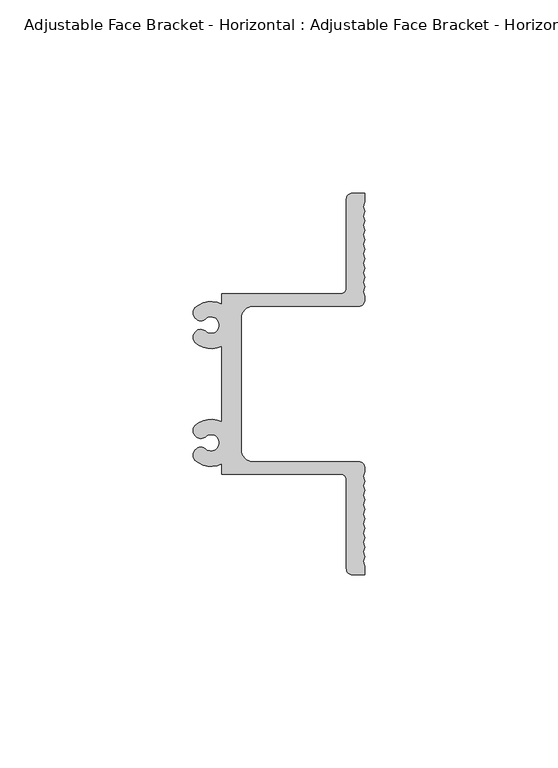
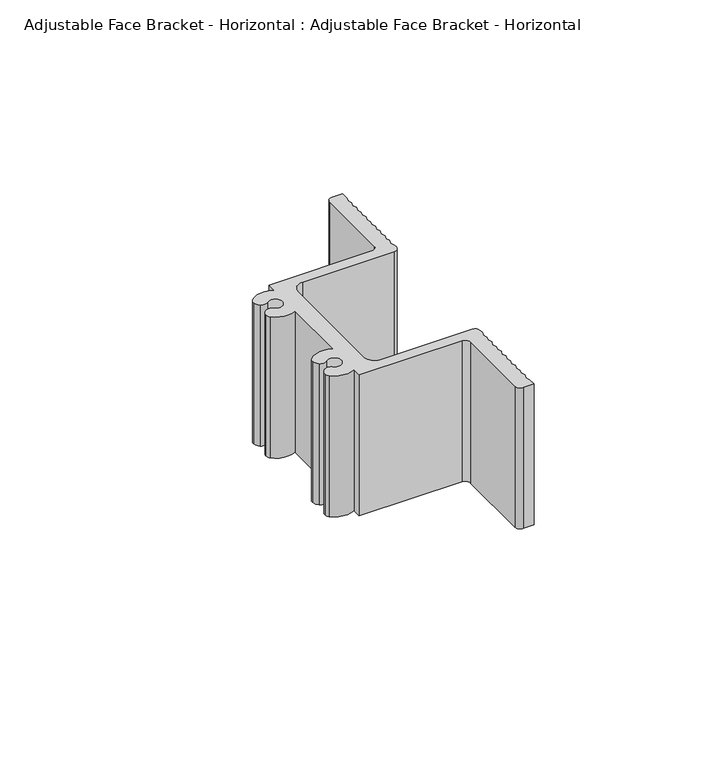
"""IFC4 building model written with IfcOpenShell, lengths in millimetres: proxy geometry, Adjustable Face Bracket - Horizontal : Adjustable Face Bracket - Horizontal."""

from ifc_helpers import new_model, si_unit, point, frame_2d, origin, origin_with_axes, place, context, project, spatial, polyline, circle_curve, trimmed, segment, composite_curve, outline, extrude, source, transform, mapped, element, save


def adjustable_face_bracket_horizontal_adjustable_face_bracket_52e3b07a(model_context):
    return source(origin(), model_context, "Body", "SweptSolid", [
        extrude(outline(composite_curve([segment(trimmed(circle_curve(frame_2d((20.688277, 21.7899764)), 1.5875), [point((22.275777, 21.7899764))], [point((20.688277, 20.2024764))], False, "CARTESIAN"), True, "CONTINUOUS"), segment(polyline([(20.688277, 20.2024764), (-6.6113868, 20.2024764)]), True, "CONTINUOUS"), segment(trimmed(circle_curve(frame_2d((-6.6113868, 17.0274764)), 3.175), [point((-6.6113868, 20.2024764))], [point((-9.7863868, 17.0274764))], True, "CARTESIAN"), True, "CONTINUOUS"), segment(polyline([(-9.7863868, 17.0274764), (-9.7863868, -16.9145908)]), True, "CONTINUOUS"), segment(trimmed(circle_curve(frame_2d((-6.6113868, -16.9145908)), 3.175), [point((-9.7863868, -16.9145908))], [point((-6.6113868, -20.0895908))], True, "CARTESIAN"), True, "CONTINUOUS"), segment(polyline([(-6.6113868, -20.0895908), (20.688277, -20.0895908)]), True, "CONTINUOUS"), segment(trimmed(circle_curve(frame_2d((20.688277, -21.6770908)), 1.5875), [point((20.688277, -20.0895908))], [point((22.275777, -21.6770908))], False, "CARTESIAN"), True, "CONTINUOUS"), segment(polyline([(22.275777, -21.6770908), (22.275777, -22.6295908), (21.856677, -23.8538708), (22.275777, -25.0781508), (21.856677, -26.3024308), (22.275777, -27.5267108), (21.856677, -28.7509908), (22.275777, -29.9752708), (21.856677, -31.1995508), (22.275777, -32.4238308), (21.856677, -33.6481108), (22.275777, -34.8723908), (21.856677, -36.0966708), (22.275777, -37.3209508), (21.856677, -38.5452308), (22.275777, -39.7695108), (21.856677, -40.9937908), (22.275777, -42.2180708), (21.856677, -43.4423508), (22.275777, -44.6666308), (21.856677, -45.8909108), (22.275777, -47.1151908), (22.275777, -49.3929138), (19.100777, -49.3929138)]), True, "CONTINUOUS"), segment(trimmed(circle_curve(frame_2d((19.100777, -47.8054138)), 1.5875), [point((19.100777, -49.3929138))], [point((17.513277, -47.8054138))], False, "CARTESIAN"), True, "CONTINUOUS"), segment(polyline([(17.513277, -47.8054138), (17.513277, -24.8520908)]), True, "CONTINUOUS"), segment(trimmed(circle_curve(frame_2d((15.925777, -24.8520908)), 1.5875), [point((17.513277, -24.8520908))], [point((15.925777, -23.2645908))], True, "CARTESIAN"), True, "CONTINUOUS"), segment(polyline([(15.925777, -23.2645908), (-14.8080347, -23.2645908), (-14.8080347, -20.6502795)]), True, "CONTINUOUS"), segment(trimmed(circle_curve(frame_2d((-17.538723, -15.2000908)), 6.096), [point((-14.8080347, -20.6502795))], [point((-21.7099338, -19.6455622))], False, "CARTESIAN"), True, "CONTINUOUS"), segment(trimmed(circle_curve(frame_2d((-20.623681, -18.4878873)), 1.5875), [point((-21.7099338, -19.6455622))], [point((-22.2060609, -18.3604908))], False, "CARTESIAN"), True, "CONTINUOUS"), segment(trimmed(circle_curve(frame_2d((-19.8058815, -18.5537279)), 2.4079455), [point((-22.2060609, -18.3604908))], [point((-21.2853581, -16.6538987))], False, "CARTESIAN"), True, "CONTINUOUS"), segment(trimmed(circle_curve(frame_2d((-20.2016552, -18.2604379)), 1.9378803), [point((-21.2853581, -16.6538987))], [point((-19.0651832, -16.6907846))], False, "CARTESIAN"), True, "CONTINUOUS"), segment(trimmed(circle_curve(frame_2d((-17.538723, -15.2000908)), 2.1336), [point((-19.0651832, -16.6907846))], [point((-19.0651832, -13.7093969))], True, "CARTESIAN"), True, "CONTINUOUS"), segment(trimmed(circle_curve(frame_2d((-20.2016552, -12.1397436)), 1.9378803), [point((-19.0651832, -13.7093969))], [point((-21.2853581, -13.7462828))], False, "CARTESIAN"), True, "CONTINUOUS"), segment(trimmed(circle_curve(frame_2d((-19.8058815, -11.8464536)), 2.4079455), [point((-21.2853581, -13.7462828))], [point((-22.2060609, -12.0396907))], False, "CARTESIAN"), True, "CONTINUOUS"), segment(trimmed(circle_curve(frame_2d((-20.623681, -11.9122942)), 1.5875), [point((-22.2060609, -12.0396907))], [point((-21.7099338, -10.7546193))], False, "CARTESIAN"), True, "CONTINUOUS"), segment(trimmed(circle_curve(frame_2d((-17.538723, -15.2000908)), 6.096), [point((-21.7099338, -10.7546193))], [point((-14.8080347, -9.749902))], False, "CARTESIAN"), True, "CONTINUOUS"), segment(polyline([(-14.8080347, -9.749902), (-14.8080347, 9.8627877)]), True, "CONTINUOUS"), segment(trimmed(circle_curve(frame_2d((-17.538723, 15.3129764)), 6.096), [point((-14.8080347, 9.8627877))], [point((-21.7099338, 10.867505))], False, "CARTESIAN"), True, "CONTINUOUS"), segment(trimmed(circle_curve(frame_2d((-20.623681, 12.0251799)), 1.5875), [point((-21.7099338, 10.867505))], [point((-22.2060609, 12.1525764))], False, "CARTESIAN"), True, "CONTINUOUS"), segment(trimmed(circle_curve(frame_2d((-19.8058815, 11.9593393)), 2.4079455), [point((-22.2060609, 12.1525764))], [point((-21.2853581, 13.8591685))], False, "CARTESIAN"), True, "CONTINUOUS"), segment(trimmed(circle_curve(frame_2d((-20.2016552, 12.2526293)), 1.9378803), [point((-21.2853581, 13.8591685))], [point((-19.0651832, 13.8222826))], False, "CARTESIAN"), True, "CONTINUOUS"), segment(trimmed(circle_curve(frame_2d((-17.538723, 15.3129764)), 2.1336), [point((-19.0651832, 13.8222826))], [point((-19.0651832, 16.8036703))], True, "CARTESIAN"), True, "CONTINUOUS"), segment(trimmed(circle_curve(frame_2d((-20.2016552, 18.3733236)), 1.9378803), [point((-19.0651832, 16.8036703))], [point((-21.2853581, 16.7667844))], False, "CARTESIAN"), True, "CONTINUOUS"), segment(trimmed(circle_curve(frame_2d((-19.8058815, 18.6666136)), 2.4079455), [point((-21.2853581, 16.7667844))], [point((-22.2060609, 18.4733765))], False, "CARTESIAN"), True, "CONTINUOUS"), segment(trimmed(circle_curve(frame_2d((-20.623681, 18.600773)), 1.5875), [point((-22.2060609, 18.4733765))], [point((-21.7099338, 19.7584479))], False, "CARTESIAN"), True, "CONTINUOUS"), segment(trimmed(circle_curve(frame_2d((-17.538723, 15.3129764)), 6.096), [point((-21.7099338, 19.7584479))], [point((-14.8080347, 20.7631652))], False, "CARTESIAN"), True, "CONTINUOUS"), segment(polyline([(-14.8080347, 20.7631652), (-14.8080347, 23.3774764), (15.925777, 23.3774764)]), True, "CONTINUOUS"), segment(trimmed(circle_curve(frame_2d((15.925777, 24.9649764)), 1.5875), [point((15.925777, 23.3774764))], [point((17.513277, 24.9649764))], True, "CARTESIAN"), True, "CONTINUOUS"), segment(polyline([(17.513277, 24.9649764), (17.513277, 47.9182995)]), True, "CONTINUOUS"), segment(trimmed(circle_curve(frame_2d((19.100777, 47.9182995)), 1.5875), [point((17.513277, 47.9182995))], [point((19.100777, 49.5057995))], False, "CARTESIAN"), True, "CONTINUOUS"), segment(polyline([(19.100777, 49.5057995), (22.275777, 49.5057995), (22.275777, 47.2348539), (21.856677, 46.0105739), (22.275777, 44.7862939), (21.856677, 43.5620139), (22.275777, 42.3377339), (21.856677, 41.1134539), (22.275777, 39.8891739), (21.856677, 38.6648939), (22.275777, 37.4406139), (21.856677, 36.2163339), (22.275777, 34.9920539), (21.856677, 33.7677739), (22.275777, 32.5434939), (21.856677, 31.3192139), (22.275777, 30.0949339), (21.856677, 28.8706539), (22.275777, 27.6463739), (21.856677, 26.4220939), (22.275777, 25.1978139), (21.856677, 23.9735339), (22.275777, 22.7492539), (22.275777, 21.7899764)]), True, "CONTINUOUS")], self_intersect=False)), origin_with_axes(), (0.0, 0.0, 1.0), 44.45),
    ])


if __name__ == "__main__":
    model = new_model("IFC4")
    model_context = context("Model", 3, world=origin())
    ifc_project = project(units=[si_unit("LENGTHUNIT", "METRE", prefix="MILLI")], contexts=[model_context])
    site = spatial("IfcSite", under=ifc_project)
    building = spatial("IfcBuilding", under=site)
    placement = place(None, origin())
    adjustable_face_bracket_horizontal_adjustable_face_bracket_shape = adjustable_face_bracket_horizontal_adjustable_face_bracket_52e3b07a(model_context)
    element("IfcBuildingElementProxy", 1, Name="Adjustable Face Bracket - Horizontal : Adjustable Face Bracket - Horizontal", ObjectType="Adjustable Face Bracket - Horizontal : Adjustable Face Bracket - Horizontal", at=placement, inside=building, context=model_context, shape_type="MappedRepresentation", body=[
        mapped(adjustable_face_bracket_horizontal_adjustable_face_bracket_shape, transform((0.0, 0.0, 0.0), x_axis=(1.0, 0.0, 0.0), y_axis=(0.0, 1.0, 0.0), z_axis=(0.0, 0.0, 1.0))),
    ])
    save(model, "model.ifc")
